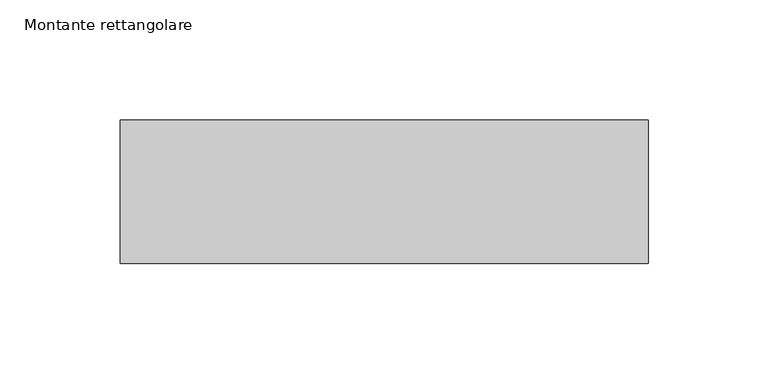
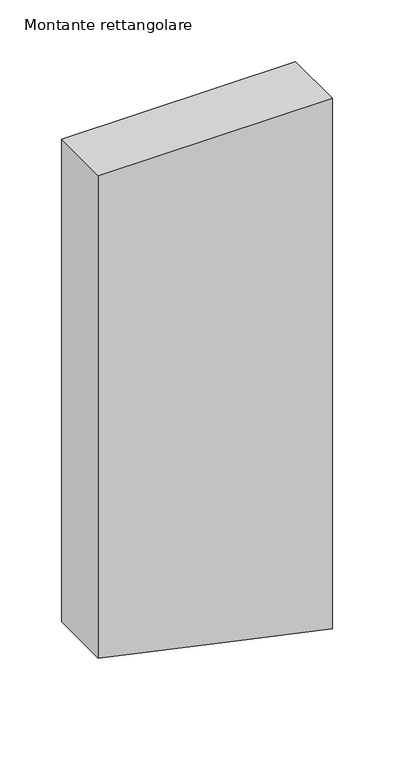
"""IFC4 building model written with IfcOpenShell, lengths in millimetres: member geometry, Montante rettangolare."""

from ifc_helpers import new_model, si_unit, frame, origin, place, context, project, spatial, polyline, outline, extrude, source, transform, mapped, element, save


def montante_rettangolare_0ebb85b0(model_context):
    return source(origin(), model_context, "Body", "SweptSolid", [
        extrude(outline(polyline([(0.0, 110.0), (0.0, -110.0), (-478.9110448, -110.0), (-507.4521118, 21.2491144), (-526.7516323, 110.0), (0.0, 110.0)])), frame((0.0, -30.0, 0.0), z_axis=(0.0, 1.0, 0.0), x_axis=(0.0, 0.0, 1.0)), (0.0, 0.0, 1.0), 60.0),
    ])


if __name__ == "__main__":
    model = new_model("IFC4")
    model_context = context("Model", 3, world=origin())
    ifc_project = project(units=[si_unit("LENGTHUNIT", "METRE", prefix="MILLI")], contexts=[model_context])
    site = spatial("IfcSite", under=ifc_project)
    building = spatial("IfcBuilding", under=site)
    placement = place(None, origin())
    montante_rettangolare_shape = montante_rettangolare_0ebb85b0(model_context)
    element("IfcMember", 1, ObjectType="Montante rettangolare", at=placement, inside=building, context=model_context, shape_type="MappedRepresentation", body=[
        mapped(montante_rettangolare_shape, transform((0.0, 0.0, 0.0), x_axis=(1.0, 0.0, 0.0), y_axis=(0.0, 1.0, 0.0), z_axis=(0.0, 0.0, 1.0))),
    ])
    save(model, "model.ifc")
